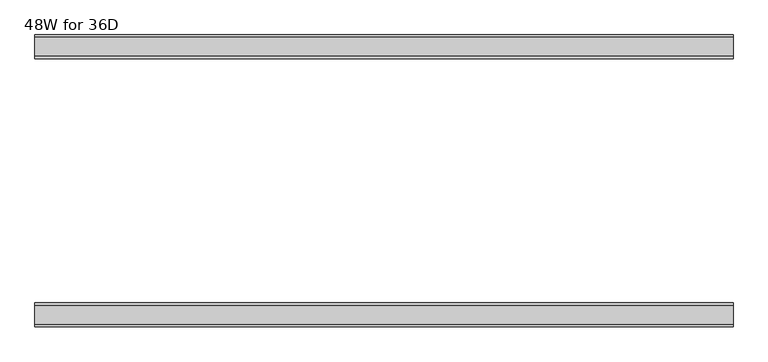
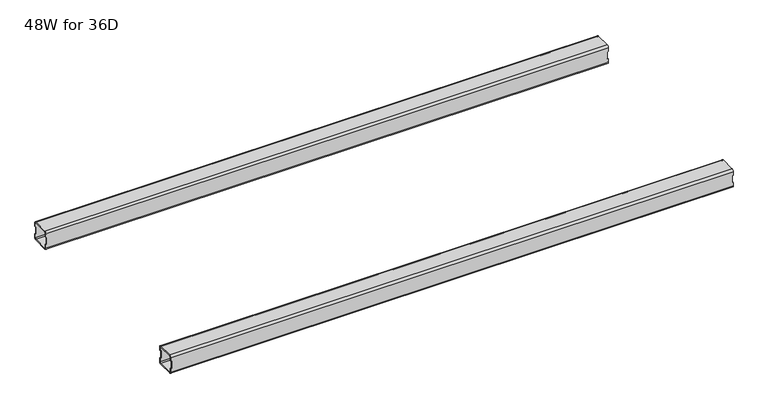
"""IFC4 building model written with IfcOpenShell, lengths in millimetres: furniture geometry, 48W for 36D."""

import ifcopenshell
import ifcopenshell.guid

model = None  # the IFC model being written
_history = None  # IfcOwnerHistory: only IFC2X3 demands one
_inside = {}  # id of a spatial element -> (the spatial element, [elements in it])
_under = {}  # id of a project, library or spatial element -> (it, [spatial elements below it])
_declared = {}  # id of a project -> (the project, [libraries it declares])
_typed = {}  # id of a type object -> (the type object, [elements of that type])
_made_of = {}  # id of a material, layer set ... -> (it, [elements and type objects made of it])


def new_model(schema):
    """Start an empty IFC model of exactly this schema.

    Asked for "IFC4X3", IfcOpenShell would pick the latest addendum, in which some entities
    have other attributes; the version numbers below select the first issue.
    IFC2X3 requires an IfcOwnerHistory on every rooted entity: one is made here for all.
    """
    global model, _history
    if schema == "IFC4X3":
        model = ifcopenshell.file(schema_version=(4, 3, 0, 0))
    else:
        model = ifcopenshell.file(schema=schema)
    _inside.clear()
    _under.clear()
    _declared.clear()
    _typed.clear()
    _made_of.clear()
    _history = None
    if model.schema == "IFC2X3":
        org = make("IfcOrganization", Name="unknown")
        user = make(
            "IfcPersonAndOrganization",
            ThePerson=make("IfcPerson", FamilyName="unknown"),
            TheOrganization=org,
        )
        app = make(
            "IfcApplication",
            ApplicationDeveloper=org,
            Version="unknown",
            ApplicationFullName="unknown",
            ApplicationIdentifier="unknown",
        )
        _history = make(
            "IfcOwnerHistory",
            OwningUser=user,
            OwningApplication=app,
            ChangeAction="ADDED",
            CreationDate=0,
        )
    return model


def make(cls, **values):
    """One entity of the class cls with the attributes given. An attribute that is None is left unset."""
    return model.create_entity(
        cls, **{name: value for name, value in values.items() if value is not None}
    )


def rooted(cls, **values):
    """An entity with a GlobalId (a new one), such as an element, a storey or a relation."""
    return make(cls, GlobalId=ifcopenshell.guid.new(), OwnerHistory=_history, **values)


def si_unit(unit_type, name, prefix=None):
    """IfcSIUnit, for example si_unit("LENGTHUNIT", "METRE", prefix="MILLI")."""
    return make("IfcSIUnit", UnitType=unit_type, Prefix=prefix, Name=name)


def assignment(units):
    """IfcUnitAssignment: the units of a project."""
    return None if units is None else make("IfcUnitAssignment", Units=units)


def point(xyz):
    """IfcCartesianPoint."""
    return None if xyz is None else make("IfcCartesianPoint", Coordinates=xyz)


def direction(xyz):
    """IfcDirection."""
    return None if xyz is None else make("IfcDirection", DirectionRatios=xyz)


def frame(location, z_axis=None, x_axis=None):
    """IfcAxis2Placement3D, a coordinate frame: its origin and axes. An axis left out is left unset."""
    return make(
        "IfcAxis2Placement3D",
        Location=point(location),
        Axis=direction(z_axis),
        RefDirection=direction(x_axis),
    )


def origin():
    """The frame at (0, 0, 0) with its axes left unset."""
    return frame((0.0, 0.0, 0.0))


def place(relative_to, where):
    """IfcLocalPlacement: puts the frame where relative to a parent placement (None: the world)."""
    return make(
        "IfcLocalPlacement", PlacementRelTo=relative_to, RelativePlacement=where
    )


def context(
    kind, dimensions, precision=None, world=None, true_north=None, identifier=None
):
    """IfcGeometricRepresentationContext, for example the 3D "Model" context."""
    return make(
        "IfcGeometricRepresentationContext",
        ContextIdentifier=identifier,
        ContextType=kind,
        CoordinateSpaceDimension=dimensions,
        Precision=precision,
        WorldCoordinateSystem=world,
        TrueNorth=true_north,
    )


def project(units=None, contexts=None):
    """IfcProject with its units and contexts."""
    return rooted(
        "IfcProject",
        Name="project",
        RepresentationContexts=contexts,
        UnitsInContext=assignment(units),
    )


def spatial(cls, under=None, at=None, **own):
    """A site, building, storey or space (cls), placed at a placement, below another one or the project."""
    s = rooted(cls, ObjectPlacement=at, **own)
    if under is not None:
        _under.setdefault(under.id(), (under, []))[1].append(s)
    return s


def polyline(points):
    """IfcPolyline through the points."""
    return make("IfcPolyline", Points=[point(p) for p in points])


def circle_curve(where, radius):
    """IfcCircle in the frame where."""
    return make("IfcCircle", Position=where, Radius=radius)


def shape(context_of_items, identifier, shape_type, items):
    """IfcShapeRepresentation: the items that make up one representation, for example the "Body"."""
    return make(
        "IfcShapeRepresentation",
        ContextOfItems=context_of_items,
        RepresentationIdentifier=identifier,
        RepresentationType=shape_type,
        Items=items,
    )


def source(mapping_origin, context_of_items, identifier, shape_type, items):
    """IfcRepresentationMap: a shape defined once, which mapped items show again and again."""
    return make(
        "IfcRepresentationMap",
        MappingOrigin=mapping_origin,
        MappedRepresentation=shape(context_of_items, identifier, shape_type, items),
    )


def transform(
    local_origin,
    x_axis=None,
    y_axis=None,
    z_axis=None,
    scale=None,
    scale2=None,
    scale3=None,
    uniform=True,
):
    """IfcCartesianTransformationOperator3D, or its non-uniform kind. x_axis, y_axis, z_axis: its Axis1, 2, 3."""
    if uniform:
        return make(
            "IfcCartesianTransformationOperator3D",
            Axis1=direction(x_axis),
            Axis2=direction(y_axis),
            LocalOrigin=point(local_origin),
            Scale=scale,
            Axis3=direction(z_axis),
        )
    return make(
        "IfcCartesianTransformationOperator3DnonUniform",
        Axis1=direction(x_axis),
        Axis2=direction(y_axis),
        LocalOrigin=point(local_origin),
        Scale=scale,
        Axis3=direction(z_axis),
        Scale2=scale2,
        Scale3=scale3,
    )


def mapped(mapping_source, mapping_target):
    """IfcMappedItem: shows the shape of a source again, moved by a transform."""
    return make(
        "IfcMappedItem", MappingSource=mapping_source, MappingTarget=mapping_target
    )


def made_of(thing, what):
    """Note that an element or type object is made of a material, layer set ...; save() writes the relation."""
    if what is not None:
        _made_of.setdefault(what.id(), (what, []))[1].append(thing)
    return thing


def element(
    cls,
    number,
    at=None,
    inside=None,
    cuts=None,
    type_object=None,
    material=None,
    context=None,
    identifier="Body",
    shape_type=None,
    held_by="IfcProductDefinitionShape",
    body=None,
    shapes=None,
    **own,
):
    """One element of the class cls, such as IfcWall. Its Tag is "e" and its number.

    at: its placement. inside: the storey or other place that contains it. cuts: it is an
    opening in that element (IfcRelVoidsElement). A single representation is given by context,
    identifier, shape_type and body (its items); several are given by shapes. held_by: the class
    of the entity that holds the representations. save() writes the other relations.
    """
    e = rooted(cls, Tag="e%d" % number, ObjectPlacement=at, **own)
    if body is not None:
        shapes = [shape(context, identifier, shape_type, body)]
    if shapes is not None:
        e.Representation = make(held_by, Representations=shapes)
    if inside is not None:
        _inside.setdefault(inside.id(), (inside, []))[1].append(e)
    if cuts is not None:
        rooted(
            "IfcRelVoidsElement", RelatingBuildingElement=cuts, RelatedOpeningElement=e
        )
    if type_object is not None:
        _typed.setdefault(type_object.id(), (type_object, []))[1].append(e)
    return made_of(e, material)


def aggregate(whole, parts):
    """IfcRelAggregates: a whole, such as a stair, and the parts it consists of."""
    return rooted("IfcRelAggregates", RelatingObject=whole, RelatedObjects=parts)


def save(model, path):
    """Write the relations noted so far, then the file.

    IfcRelAggregates (storeys below a building ...), IfcRelContainedInSpatialStructure (elements
    in a storey), IfcRelDefinesByType, IfcRelAssociatesMaterial and IfcRelDeclares: one each for
    every whole, place, type object, material and project.
    """
    for whole, parts in _under.values():
        aggregate(whole, parts)
    for where, things in _inside.values():
        rooted(
            "IfcRelContainedInSpatialStructure",
            RelatedElements=things,
            RelatingStructure=where,
        )
    for kind, things in _typed.values():
        rooted("IfcRelDefinesByType", RelatedObjects=things, RelatingType=kind)
    for what, things in _made_of.values():
        rooted("IfcRelAssociatesMaterial", RelatedObjects=things, RelatingMaterial=what)
    for by, libraries in _declared.values():
        rooted("IfcRelDeclares", RelatingContext=by, RelatedDefinitions=libraries)
    model.write(path)


def plane_surface(at):
    """IfcPlane: the flat surface through the origin of the frame at, square to its z axis."""
    return make("IfcPlane", Position=at)


def cylinder_surface(at, radius):
    """IfcCylindricalSurface: all points at the distance radius from the z axis of the frame at."""
    return make("IfcCylindricalSurface", Position=at, Radius=radius)


def revolved_surface(curve, axis_point, axis_direction):
    """IfcSurfaceOfRevolution: the curve turned about the line through axis_point along axis_direction."""
    return make(
        "IfcSurfaceOfRevolution",
        SweptCurve=make("IfcArbitraryOpenProfileDef", ProfileType="CURVE", Curve=curve),
        AxisPosition=make("IfcAxis1Placement", Location=point(axis_point), Axis=direction(axis_direction)),
    )


def advanced_brep(points, edges, surfaces, faces):
    """IfcAdvancedBrep: a solid bounded by faces that lie on surfaces and meet in shared edges.

    An edge is (start, end): straight between two places in points (the first is 0);
    or (start, end, curve); or (start, end, curve, False) where it runs against its curve.
    A face is (place in surfaces, loops), or (place, loops, False) where it looks against
    its surface's normal. A loop lists edges by number (the first is 1), with a minus sign
    where the edge is run from its end to its start. The first loop is the outer one.
    """
    corners = [point(p) for p in points]
    vertices = [make("IfcVertexPoint", VertexGeometry=c) for c in corners]
    made = []
    for start, end, *more in edges:
        made.append(
            make(
                "IfcEdgeCurve",
                EdgeStart=vertices[start],
                EdgeEnd=vertices[end],
                EdgeGeometry=more[0] if more else make("IfcPolyline", Points=[corners[start], corners[end]]),
                SameSense=more[1] if len(more) > 1 else True,
            )
        )
    hull = []
    for where, loops, *sense in faces:
        bounds = []
        for j, loop in enumerate(loops):
            ring = [make("IfcOrientedEdge", EdgeElement=made[abs(k) - 1], Orientation=k > 0) for k in loop]
            bounds.append(
                make(
                    "IfcFaceOuterBound" if j == 0 else "IfcFaceBound",
                    Bound=make("IfcEdgeLoop", EdgeList=ring),
                    Orientation=True,
                )
            )
        hull.append(make("IfcAdvancedFace", Bounds=bounds, FaceSurface=surfaces[where], SameSense=sense[0] if sense else True))
    return make("IfcAdvancedBrep", Outer=make("IfcClosedShell", CfsFaces=hull))


def furniture_48w_for_36d_c72a1b45(model_context):
    return source(origin(), model_context, "Body", "AdvancedBrep", [
        advanced_brep(
        [(1194.2028, -607.088, 282.892), (1194.2028, -609.088, 280.892), (1194.2028, -641.088, 280.892), (1194.2028, -643.088, 282.892), (1194.2028, -643.088, 290.392), (1194.2028, -645.088, 290.392), (1194.2028, -645.088, 282.892), (1194.2028, -641.088, 278.892), (1194.2028, -609.088, 278.892), (1194.2028, -605.088, 282.892), (1194.2028, -605.088, 290.392), (1194.2028, -607.088, 290.392), (1194.2028, -643.088, 314.516), (1194.2028, -641.088, 316.516), (1194.2028, -609.088, 316.516), (1194.2028, -607.088, 314.516), (1194.2028, -607.088, 307.016), (1194.2028, -605.088, 307.016), (1194.2028, -605.088, 314.516), (1194.2028, -609.088, 318.516), (1194.2028, -641.088, 318.516), (1194.2028, -645.088, 314.516), (1194.2028, -645.088, 307.016), (1194.2028, -643.088, 307.016), (22.0, -607.088, 314.516), (22.0, -609.088, 316.516), (22.0, -641.088, 316.516), (22.0, -643.088, 314.516), (22.0, -643.088, 307.016), (22.0, -645.088, 307.016), (22.0, -645.088, 314.516), (22.0, -641.088, 318.516), (22.0, -609.088, 318.516), (22.0, -605.088, 314.516), (22.0, -605.088, 307.016), (22.0, -607.088, 307.016), (22.0, -643.088, 282.892), (22.0, -641.088, 280.892), (22.0, -609.088, 280.892), (22.0, -607.088, 282.892), (22.0, -607.088, 290.392), (22.0, -605.088, 290.392), (22.0, -605.088, 282.892), (22.0, -609.088, 278.892), (22.0, -641.088, 278.892), (22.0, -645.088, 282.892), (22.0, -645.088, 290.392), (22.0, -643.088, 290.392), (23.365, -643.088, 290.392), (24.0, -643.088, 291.027), (24.0, -643.088, 306.381), (23.365, -643.088, 307.016), (1192.8378, -643.088, 307.016), (1192.2028, -643.088, 306.381), (1192.2028, -643.088, 291.027), (1192.8378, -643.088, 290.392), (1192.8378, -607.088, 290.392), (1192.2028, -607.088, 291.027), (1192.2028, -607.088, 306.381), (1192.8378, -607.088, 307.016), (23.365, -607.088, 307.016), (24.0, -607.088, 306.381), (24.0, -607.088, 291.027), (23.365, -607.088, 290.392), (23.365, -645.088, 307.016), (24.0, -645.088, 306.381), (24.0, -645.088, 291.027), (23.365, -645.088, 290.392), (1192.8378, -645.088, 290.392), (1192.2028, -645.088, 291.027), (1192.2028, -645.088, 306.381), (1192.8378, -645.088, 307.016), (1192.8378, -605.088, 307.016), (1192.2028, -605.088, 306.381), (1192.2028, -605.088, 291.027), (1192.8378, -605.088, 290.392), (23.365, -605.088, 290.392), (24.0, -605.088, 291.027), (24.0, -605.088, 306.381), (23.365, -605.088, 307.016)],
        [
            (0, 1, circle_curve(frame((1194.2028, -609.088, 282.892), z_axis=(-1.0, 0.0, 0.0), x_axis=(0.0, 1.0, 0.0)), 2.0)),
            (1, 2),
            (2, 3, circle_curve(frame((1194.2028, -641.088, 282.892), z_axis=(-1.0, 0.0, 0.0), x_axis=(0.0, 1.0, 0.0)), 2.0)),
            (3, 4),
            (4, 5),
            (5, 6),
            (6, 7, circle_curve(frame((1194.2028, -641.088, 282.892), z_axis=(1.0, 0.0, 0.0), x_axis=(0.0, 1.0, 0.0)), 4.0)),
            (7, 8),
            (8, 9, circle_curve(frame((1194.2028, -609.088, 282.892), z_axis=(1.0, 0.0, 0.0), x_axis=(0.0, 1.0, 0.0)), 4.0)),
            (9, 10),
            (10, 11),
            (11, 0),
            (12, 13, circle_curve(frame((1194.2028, -641.088, 314.516), z_axis=(-1.0, 0.0, 0.0), x_axis=(0.0, 1.0, 0.0)), 2.0)),
            (13, 14),
            (14, 15, circle_curve(frame((1194.2028, -609.088, 314.516), z_axis=(-1.0, 0.0, 0.0), x_axis=(0.0, 1.0, 0.0)), 2.0)),
            (15, 16),
            (16, 17),
            (17, 18),
            (18, 19, circle_curve(frame((1194.2028, -609.088, 314.516), z_axis=(1.0, 0.0, 0.0), x_axis=(0.0, 1.0, 0.0)), 4.0)),
            (19, 20),
            (20, 21, circle_curve(frame((1194.2028, -641.088, 314.516), z_axis=(1.0, 0.0, 0.0), x_axis=(0.0, 1.0, 0.0)), 4.0)),
            (21, 22),
            (22, 23),
            (23, 12),
            (24, 25, circle_curve(frame((22.0, -609.088, 314.516), z_axis=(1.0, 0.0, 0.0), x_axis=(0.0, 1.0, 0.0)), 2.0)),
            (25, 26),
            (26, 27, circle_curve(frame((22.0, -641.088, 314.516), z_axis=(1.0, 0.0, 0.0), x_axis=(0.0, 1.0, 0.0)), 2.0)),
            (27, 28),
            (28, 29),
            (29, 30),
            (30, 31, circle_curve(frame((22.0, -641.088, 314.516), z_axis=(-1.0, 0.0, 0.0), x_axis=(0.0, 1.0, 0.0)), 4.0)),
            (31, 32),
            (32, 33, circle_curve(frame((22.0, -609.088, 314.516), z_axis=(-1.0, 0.0, 0.0), x_axis=(0.0, 1.0, 0.0)), 4.0)),
            (33, 34),
            (34, 35),
            (35, 24),
            (36, 37, circle_curve(frame((22.0, -641.088, 282.892), z_axis=(1.0, 0.0, 0.0), x_axis=(0.0, 1.0, 0.0)), 2.0)),
            (37, 38),
            (38, 39, circle_curve(frame((22.0, -609.088, 282.892), z_axis=(1.0, 0.0, 0.0), x_axis=(0.0, 1.0, 0.0)), 2.0)),
            (39, 40),
            (40, 41),
            (41, 42),
            (42, 43, circle_curve(frame((22.0, -609.088, 282.892), z_axis=(-1.0, 0.0, 0.0), x_axis=(0.0, 1.0, 0.0)), 4.0)),
            (43, 44),
            (44, 45, circle_curve(frame((22.0, -641.088, 282.892), z_axis=(-1.0, 0.0, 0.0), x_axis=(0.0, 1.0, 0.0)), 4.0)),
            (45, 46),
            (46, 47),
            (47, 36),
            (0, 39),
            (38, 1),
            (37, 2),
            (36, 3),
            (47, 48),
            (48, 49, circle_curve(frame((23.365, -643.088, 291.027), z_axis=(0.0, -1.0, 0.0), x_axis=(1.0, 0.0, 0.0)), 0.635)),
            (49, 50),
            (50, 51, circle_curve(frame((23.365, -643.088, 306.381), z_axis=(0.0, -1.0, 0.0), x_axis=(1.0, 0.0, 0.0)), 0.635)),
            (51, 28),
            (27, 12),
            (23, 52),
            (52, 53, circle_curve(frame((1192.8378, -643.088, 306.381), z_axis=(0.0, -1.0, 0.0), x_axis=(1.0, 0.0, 0.0)), 0.635)),
            (53, 54),
            (54, 55, circle_curve(frame((1192.8378, -643.088, 291.027), z_axis=(0.0, -1.0, 0.0), x_axis=(1.0, 0.0, 0.0)), 0.635)),
            (55, 4),
            (26, 13),
            (25, 14),
            (24, 15),
            (11, 56),
            (56, 57, circle_curve(frame((1192.8378, -607.088, 291.027), z_axis=(0.0, 1.0, 0.0), x_axis=(1.0, 0.0, 0.0)), 0.635)),
            (57, 58),
            (58, 59, circle_curve(frame((1192.8378, -607.088, 306.381), z_axis=(0.0, 1.0, 0.0), x_axis=(1.0, 0.0, 0.0)), 0.635)),
            (59, 16),
            (35, 60),
            (60, 61, circle_curve(frame((23.365, -607.088, 306.381), z_axis=(0.0, 1.0, 0.0), x_axis=(1.0, 0.0, 0.0)), 0.635)),
            (61, 62),
            (62, 63, circle_curve(frame((23.365, -607.088, 291.027), z_axis=(0.0, 1.0, 0.0), x_axis=(1.0, 0.0, 0.0)), 0.635)),
            (63, 40),
            (18, 33),
            (32, 19),
            (31, 20),
            (30, 21),
            (29, 64),
            (64, 65, circle_curve(frame((23.365, -645.088, 306.381), z_axis=(0.0, 1.0, 0.0), x_axis=(1.0, 0.0, 0.0)), 0.635)),
            (65, 66),
            (66, 67, circle_curve(frame((23.365, -645.088, 291.027), z_axis=(0.0, 1.0, 0.0), x_axis=(1.0, 0.0, 0.0)), 0.635)),
            (67, 46),
            (45, 6),
            (5, 68),
            (68, 69, circle_curve(frame((1192.8378, -645.088, 291.027), z_axis=(0.0, 1.0, 0.0), x_axis=(1.0, 0.0, 0.0)), 0.635)),
            (69, 70),
            (70, 71, circle_curve(frame((1192.8378, -645.088, 306.381), z_axis=(0.0, 1.0, 0.0), x_axis=(1.0, 0.0, 0.0)), 0.635)),
            (71, 22),
            (44, 7),
            (43, 8),
            (42, 9),
            (17, 72),
            (72, 73, circle_curve(frame((1192.8378, -605.088, 306.381), z_axis=(0.0, -1.0, 0.0), x_axis=(1.0, 0.0, 0.0)), 0.635)),
            (73, 74),
            (74, 75, circle_curve(frame((1192.8378, -605.088, 291.027), z_axis=(0.0, -1.0, 0.0), x_axis=(1.0, 0.0, 0.0)), 0.635)),
            (75, 10),
            (41, 76),
            (76, 77, circle_curve(frame((23.365, -605.088, 291.027), z_axis=(0.0, -1.0, 0.0), x_axis=(1.0, 0.0, 0.0)), 0.635)),
            (77, 78),
            (78, 79, circle_curve(frame((23.365, -605.088, 306.381), z_axis=(0.0, -1.0, 0.0), x_axis=(1.0, 0.0, 0.0)), 0.635)),
            (79, 34),
            (71, 52),
            (59, 72),
            (70, 53),
            (58, 73),
            (69, 54),
            (57, 74),
            (68, 55),
            (56, 75),
            (51, 64),
            (79, 60),
            (67, 48),
            (63, 76),
            (66, 49),
            (62, 77),
            (65, 50),
            (61, 78),
        ],
        [
            plane_surface(frame((1194.2028, -607.088, 282.892), z_axis=(1.0, 0.0, 0.0), x_axis=(0.0, 0.0, -1.0))),
            plane_surface(frame((22.0, -607.088, 282.892), z_axis=(-1.0, 0.0, 0.0), x_axis=(0.0, 0.0, 1.0))),
            revolved_surface(polyline([(22.0, -607.088, 282.892), (1194.2028, -607.088, 282.892)]), (22.0, -609.088, 282.892), (-1.0, 0.0, 0.0)),
            plane_surface(frame((1194.2028, -609.088, 280.892), z_axis=(0.0, -5.5274868016310565e-12, 1.0), x_axis=(-1.0, 0.0, 0.0))),
            revolved_surface(polyline([(22.0, -639.088, 282.892), (1194.2028, -639.088, 282.892)]), (22.0, -641.088, 282.892), (-1.0, 0.0, 0.0)),
            plane_surface(frame((1194.2028, -643.088, 282.892), z_axis=(0.0, 1.0, 0.0), x_axis=(-1.0, 0.0, 0.0))),
            revolved_surface(polyline([(22.0, -639.088, 314.516), (1194.2028, -639.088, 314.516)]), (22.0, -641.088, 314.516), (-1.0, 0.0, 0.0)),
            plane_surface(frame((1194.2028, -641.088, 316.516), z_axis=(0.0, 0.0, -1.0), x_axis=(-1.0, 0.0, 0.0))),
            revolved_surface(polyline([(22.0, -607.088, 314.516), (1194.2028, -607.088, 314.516)]), (22.0, -609.088, 314.516), (-1.0, 0.0, 0.0)),
            plane_surface(frame((1194.2028, -607.088, 314.516), z_axis=(0.0, -1.0, 0.0), x_axis=(-1.0, 0.0, 0.0))),
            cylinder_surface(frame((0.0, -609.088, 314.516), z_axis=(1.0, 0.0, 0.0), x_axis=(0.0, 1.0, 0.0)), 4.0),
            plane_surface(frame((1194.2028, -609.088, 318.516), z_axis=(0.0, 0.0, 1.0), x_axis=(-1.0, 0.0, 0.0))),
            cylinder_surface(frame((0.0, -641.088, 314.516), z_axis=(1.0, 0.0, 0.0), x_axis=(0.0, 1.0, 0.0)), 4.0),
            plane_surface(frame((1194.2028, -645.088, 314.516), z_axis=(0.0, -1.0, 0.0), x_axis=(-1.0, 0.0, 0.0))),
            cylinder_surface(frame((0.0, -641.088, 282.892), z_axis=(1.0, 0.0, 0.0), x_axis=(0.0, 1.0, 0.0)), 4.0),
            plane_surface(frame((1194.2028, -641.088, 278.892), z_axis=(0.0, 0.0, -1.0), x_axis=(-1.0, 0.0, 0.0))),
            cylinder_surface(frame((0.0, -609.088, 282.892), z_axis=(1.0, 0.0, 0.0), x_axis=(0.0, 1.0, 0.0)), 4.0),
            plane_surface(frame((1194.2028, -605.088, 282.892), z_axis=(0.0, 1.0, -5.5857165591822745e-12), x_axis=(-1.0, 0.0, 0.0))),
            plane_surface(frame((1194.2028, -645.088, 307.016), z_axis=(1.1205493188004843e-11, 0.0, -1.0), x_axis=(0.0, 1.0, 0.0))),
            revolved_surface(polyline([(1193.4728, -645.088, 306.381), (1193.4728, -643.088, 306.381)]), (1192.8378, -605.088, 306.381), (0.0, -1.0, 0.0)),
            revolved_surface(polyline([(1193.4728, -607.088, 306.381), (1193.4728, -605.088, 306.381)]), (1192.8378, -605.088, 306.381), (0.0, -1.0, 0.0)),
            plane_surface(frame((1192.2028, -645.088, 306.381), z_axis=(1.0, 0.0, 0.0), x_axis=(0.0, 1.0, 0.0))),
            revolved_surface(polyline([(1193.4728, -645.088, 291.027), (1193.4728, -643.088, 291.027)]), (1192.8378, -605.088, 291.027), (0.0, -1.0, 0.0)),
            revolved_surface(polyline([(1193.4728, -607.088, 291.027), (1193.4728, -605.088, 291.027)]), (1192.8378, -605.088, 291.027), (0.0, -1.0, 0.0)),
            plane_surface(frame((1192.8378, -645.088, 290.392), z_axis=(0.0, 0.0, 1.0), x_axis=(0.0, 1.0, 0.0))),
            plane_surface(frame((23.365, -645.088, 307.016), z_axis=(0.0, 0.0, -1.0), x_axis=(0.0, 1.0, 0.0))),
            plane_surface(frame((22.0, -645.088, 290.392), z_axis=(-1.1478193243270675e-11, 0.0, 1.0), x_axis=(0.0, 1.0, 0.0))),
            revolved_surface(polyline([(24.0, -645.088, 291.027), (24.0, -643.088, 291.027)]), (23.365, -605.088, 291.027), (0.0, -1.0, 0.0)),
            revolved_surface(polyline([(24.0, -607.088, 291.027), (24.0, -605.088, 291.027)]), (23.365, -605.088, 291.027), (0.0, -1.0, 0.0)),
            plane_surface(frame((24.0, -645.088, 291.027), z_axis=(-1.0, 0.0, 0.0), x_axis=(0.0, 1.0, 0.0))),
            revolved_surface(polyline([(24.0, -645.088, 306.381), (24.0, -643.088, 306.381)]), (23.365, -605.088, 306.381), (0.0, -1.0, 0.0)),
            revolved_surface(polyline([(24.0, -607.088, 306.381), (24.0, -605.088, 306.381)]), (23.365, -605.088, 306.381), (0.0, -1.0, 0.0)),
        ],
        [
            (0, [[1, 2, 3, 4, 5, 6, 7, 8, 9, 10, 11, 12]]),
            (0, [[13, 14, 15, 16, 17, 18, 19, 20, 21, 22, 23, 24]]),
            (1, [[25, 26, 27, 28, 29, 30, 31, 32, 33, 34, 35, 36]]),
            (1, [[37, 38, 39, 40, 41, 42, 43, 44, 45, 46, 47, 48]]),
            (2, [[-1, 49, -39, 50]]),
            (3, [[-2, -50, -38, 51]]),
            (4, [[-3, -51, -37, 52]]),
            (5, [[-52, -48, 53, 54, 55, 56, 57, -28, 58, -24, 59, 60, 61, 62, 63, -4]]),
            (6, [[-13, -58, -27, 64]]),
            (7, [[-14, -64, -26, 65]]),
            (8, [[-15, -65, -25, 66]]),
            (9, [[-49, -12, 67, 68, 69, 70, 71, -16, -66, -36, 72, 73, 74, 75, 76, -40]]),
            (10, [[-19, 77, -33, 78]]),
            (11, [[-20, -78, -32, 79]]),
            (12, [[-21, -79, -31, 80]]),
            (13, [[-80, -30, 81, 82, 83, 84, 85, -46, 86, -6, 87, 88, 89, 90, 91, -22]]),
            (14, [[-7, -86, -45, 92]]),
            (15, [[-8, -92, -44, 93]]),
            (16, [[-9, -93, -43, 94]]),
            (17, [[-77, -18, 95, 96, 97, 98, 99, -10, -94, -42, 100, 101, 102, 103, 104, -34]]),
            (18, [[105, -59, -23, -91]]),
            (18, [[106, -95, -17, -71]]),
            (19, [[-105, -90, 107, -60]]),
            (20, [[-106, -70, 108, -96]]),
            (21, [[-107, -89, 109, -61]]),
            (21, [[-108, -69, 110, -97]]),
            (22, [[-109, -88, 111, -62]]),
            (23, [[-110, -68, 112, -98]]),
            (24, [[-111, -87, -5, -63]]),
            (24, [[-112, -67, -11, -99]]),
            (25, [[113, -81, -29, -57]]),
            (25, [[114, -72, -35, -104]]),
            (26, [[115, -53, -47, -85]]),
            (26, [[116, -100, -41, -76]]),
            (27, [[-115, -84, 117, -54]]),
            (28, [[-116, -75, 118, -101]]),
            (29, [[-117, -83, 119, -55]]),
            (29, [[-118, -74, 120, -102]]),
            (30, [[-113, -56, -119, -82]]),
            (31, [[-114, -103, -120, -73]]),
        ],
    ),
        advanced_brep(
        [(1194.2028, -192.9996202, 314.516), (1194.2028, -190.9996202, 316.516), (1194.2028, -159.0003798, 316.516), (1194.2028, -157.0003798, 314.516), (1194.2028, -157.0003798, 307.016), (1194.2028, -155.0003798, 307.016), (1194.2028, -155.0003798, 314.516), (1194.2028, -159.0003798, 318.516), (1194.2028, -190.9996202, 318.516), (1194.2028, -194.9996202, 314.516), (1194.2028, -194.9996202, 307.016), (1194.2028, -192.9996202, 307.016), (1194.2028, -157.0003798, 282.892), (1194.2028, -159.0003798, 280.892), (1194.2028, -190.9996202, 280.892), (1194.2028, -192.9996202, 282.892), (1194.2028, -192.9996202, 290.392), (1194.2028, -194.9996202, 290.392), (1194.2028, -194.9996202, 282.892), (1194.2028, -190.9996202, 278.892), (1194.2028, -159.0003798, 278.892), (1194.2028, -155.0003798, 282.892), (1194.2028, -155.0003798, 290.392), (1194.2028, -157.0003798, 290.392), (22.0, -192.9996202, 282.892), (22.0, -190.9996202, 280.892), (22.0, -159.0003798, 280.892), (22.0, -157.0003798, 282.892), (22.0, -157.0003798, 290.392), (22.0, -155.0003798, 290.392), (22.0, -155.0003798, 282.892), (22.0, -159.0003798, 278.892), (22.0, -190.9996202, 278.892), (22.0, -194.9996202, 282.892), (22.0, -194.9996202, 290.392), (22.0, -192.9996202, 290.392), (22.0, -157.0003798, 314.516), (22.0, -159.0003798, 316.516), (22.0, -190.9996202, 316.516), (22.0, -192.9996202, 314.516), (22.0, -192.9996202, 307.016), (22.0, -194.9996202, 307.016), (22.0, -194.9996202, 314.516), (22.0, -190.9996202, 318.516), (22.0, -159.0003798, 318.516), (22.0, -155.0003798, 314.516), (22.0, -155.0003798, 307.016), (22.0, -157.0003798, 307.016), (1192.8378, -157.0003798, 290.392), (1192.2028, -157.0003798, 291.027), (1192.2028, -157.0003798, 306.381), (1192.8378, -157.0003798, 307.016), (23.365, -157.0003798, 307.016), (24.0, -157.0003798, 306.381), (24.0, -157.0003798, 291.027), (23.365, -157.0003798, 290.392), (23.365, -192.9996202, 290.392), (24.0, -192.9996202, 291.027), (24.0, -192.9996202, 306.381), (23.365, -192.9996202, 307.016), (1192.8378, -192.9996202, 307.016), (1192.2028, -192.9996202, 306.381), (1192.2028, -192.9996202, 291.027), (1192.8378, -192.9996202, 290.392), (1192.8378, -155.0003798, 307.016), (1192.2028, -155.0003798, 306.381), (1192.2028, -155.0003798, 291.027), (1192.8378, -155.0003798, 290.392), (23.365, -155.0003798, 290.392), (24.0, -155.0003798, 291.027), (24.0, -155.0003798, 306.381), (23.365, -155.0003798, 307.016), (23.365, -194.9996202, 307.016), (24.0, -194.9996202, 306.381), (24.0, -194.9996202, 291.027), (23.365, -194.9996202, 290.392), (1192.8378, -194.9996202, 290.392), (1192.2028, -194.9996202, 291.027), (1192.2028, -194.9996202, 306.381), (1192.8378, -194.9996202, 307.016)],
        [
            (0, 1, circle_curve(frame((1194.2028, -190.9996202, 314.516), z_axis=(-1.0, 0.0, 0.0), x_axis=(0.0, -1.0, 0.0)), 2.0)),
            (1, 2),
            (2, 3, circle_curve(frame((1194.2028, -159.0003798, 314.516), z_axis=(-1.0, 0.0, 0.0), x_axis=(0.0, -1.0, 0.0)), 2.0)),
            (3, 4),
            (4, 5),
            (5, 6),
            (6, 7, circle_curve(frame((1194.2028, -159.0003798, 314.516), z_axis=(1.0, 0.0, 0.0), x_axis=(0.0, -1.0, 0.0)), 4.0)),
            (7, 8),
            (8, 9, circle_curve(frame((1194.2028, -190.9996202, 314.516), z_axis=(1.0, 0.0, 0.0), x_axis=(0.0, -1.0, 0.0)), 4.0)),
            (9, 10),
            (10, 11),
            (11, 0),
            (12, 13, circle_curve(frame((1194.2028, -159.0003798, 282.892), z_axis=(-1.0, 0.0, 0.0), x_axis=(0.0, -1.0, 0.0)), 2.0)),
            (13, 14),
            (14, 15, circle_curve(frame((1194.2028, -190.9996202, 282.892), z_axis=(-1.0, 0.0, 0.0), x_axis=(0.0, -1.0, 0.0)), 2.0)),
            (15, 16),
            (16, 17),
            (17, 18),
            (18, 19, circle_curve(frame((1194.2028, -190.9996202, 282.892), z_axis=(1.0, 0.0, 0.0), x_axis=(0.0, -1.0, 0.0)), 4.0)),
            (19, 20),
            (20, 21, circle_curve(frame((1194.2028, -159.0003798, 282.892), z_axis=(1.0, 0.0, 0.0), x_axis=(0.0, -1.0, 0.0)), 4.0)),
            (21, 22),
            (22, 23),
            (23, 12),
            (24, 25, circle_curve(frame((22.0, -190.9996202, 282.892), z_axis=(1.0, 0.0, 0.0), x_axis=(0.0, -1.0, 0.0)), 2.0)),
            (25, 26),
            (26, 27, circle_curve(frame((22.0, -159.0003798, 282.892), z_axis=(1.0, 0.0, 0.0), x_axis=(0.0, -1.0, 0.0)), 2.0)),
            (27, 28),
            (28, 29),
            (29, 30),
            (30, 31, circle_curve(frame((22.0, -159.0003798, 282.892), z_axis=(-1.0, 0.0, 0.0), x_axis=(0.0, -1.0, 0.0)), 4.0)),
            (31, 32),
            (32, 33, circle_curve(frame((22.0, -190.9996202, 282.892), z_axis=(-1.0, 0.0, 0.0), x_axis=(0.0, -1.0, 0.0)), 4.0)),
            (33, 34),
            (34, 35),
            (35, 24),
            (36, 37, circle_curve(frame((22.0, -159.0003798, 314.516), z_axis=(1.0, 0.0, 0.0), x_axis=(0.0, -1.0, 0.0)), 2.0)),
            (37, 38),
            (38, 39, circle_curve(frame((22.0, -190.9996202, 314.516), z_axis=(1.0, 0.0, 0.0), x_axis=(0.0, -1.0, 0.0)), 2.0)),
            (39, 40),
            (40, 41),
            (41, 42),
            (42, 43, circle_curve(frame((22.0, -190.9996202, 314.516), z_axis=(-1.0, 0.0, 0.0), x_axis=(0.0, -1.0, 0.0)), 4.0)),
            (43, 44),
            (44, 45, circle_curve(frame((22.0, -159.0003798, 314.516), z_axis=(-1.0, 0.0, 0.0), x_axis=(0.0, -1.0, 0.0)), 4.0)),
            (45, 46),
            (46, 47),
            (47, 36),
            (14, 25),
            (24, 15),
            (13, 26),
            (12, 27),
            (23, 48),
            (48, 49, circle_curve(frame((1192.8378, -157.0003798, 291.027), z_axis=(0.0, 1.0, 0.0), x_axis=(1.0, 0.0, 0.0)), 0.635)),
            (49, 50),
            (50, 51, circle_curve(frame((1192.8378, -157.0003798, 306.381), z_axis=(0.0, 1.0, 0.0), x_axis=(1.0, 0.0, 0.0)), 0.635)),
            (51, 4),
            (3, 36),
            (47, 52),
            (52, 53, circle_curve(frame((23.365, -157.0003798, 306.381), z_axis=(0.0, 1.0, 0.0), x_axis=(1.0, 0.0, 0.0)), 0.635)),
            (53, 54),
            (54, 55, circle_curve(frame((23.365, -157.0003798, 291.027), z_axis=(0.0, 1.0, 0.0), x_axis=(1.0, 0.0, 0.0)), 0.635)),
            (55, 28),
            (2, 37),
            (1, 38),
            (0, 39),
            (35, 56),
            (56, 57, circle_curve(frame((23.365, -192.9996202, 291.027), z_axis=(0.0, -1.0, 0.0), x_axis=(1.0, 0.0, 0.0)), 0.635)),
            (57, 58),
            (58, 59, circle_curve(frame((23.365, -192.9996202, 306.381), z_axis=(0.0, -1.0, 0.0), x_axis=(1.0, 0.0, 0.0)), 0.635)),
            (59, 40),
            (11, 60),
            (60, 61, circle_curve(frame((1192.8378, -192.9996202, 306.381), z_axis=(0.0, -1.0, 0.0), x_axis=(1.0, 0.0, 0.0)), 0.635)),
            (61, 62),
            (62, 63, circle_curve(frame((1192.8378, -192.9996202, 291.027), z_axis=(0.0, -1.0, 0.0), x_axis=(1.0, 0.0, 0.0)), 0.635)),
            (63, 16),
            (8, 43),
            (42, 9),
            (7, 44),
            (6, 45),
            (5, 64),
            (64, 65, circle_curve(frame((1192.8378, -155.0003798, 306.381), z_axis=(0.0, -1.0, 0.0), x_axis=(1.0, 0.0, 0.0)), 0.635)),
            (65, 66),
            (66, 67, circle_curve(frame((1192.8378, -155.0003798, 291.027), z_axis=(0.0, -1.0, 0.0), x_axis=(1.0, 0.0, 0.0)), 0.635)),
            (67, 22),
            (21, 30),
            (29, 68),
            (68, 69, circle_curve(frame((23.365, -155.0003798, 291.027), z_axis=(0.0, -1.0, 0.0), x_axis=(1.0, 0.0, 0.0)), 0.635)),
            (69, 70),
            (70, 71, circle_curve(frame((23.365, -155.0003798, 306.381), z_axis=(0.0, -1.0, 0.0), x_axis=(1.0, 0.0, 0.0)), 0.635)),
            (71, 46),
            (20, 31),
            (19, 32),
            (18, 33),
            (41, 72),
            (72, 73, circle_curve(frame((23.365, -194.9996202, 306.381), z_axis=(0.0, 1.0, 0.0), x_axis=(1.0, 0.0, 0.0)), 0.635)),
            (73, 74),
            (74, 75, circle_curve(frame((23.365, -194.9996202, 291.027), z_axis=(0.0, 1.0, 0.0), x_axis=(1.0, 0.0, 0.0)), 0.635)),
            (75, 34),
            (17, 76),
            (76, 77, circle_curve(frame((1192.8378, -194.9996202, 291.027), z_axis=(0.0, 1.0, 0.0), x_axis=(1.0, 0.0, 0.0)), 0.635)),
            (77, 78),
            (78, 79, circle_curve(frame((1192.8378, -194.9996202, 306.381), z_axis=(0.0, 1.0, 0.0), x_axis=(1.0, 0.0, 0.0)), 0.635)),
            (79, 10),
            (51, 64),
            (79, 60),
            (50, 65),
            (78, 61),
            (49, 66),
            (77, 62),
            (48, 67),
            (76, 63),
            (71, 52),
            (59, 72),
            (55, 68),
            (75, 56),
            (54, 69),
            (74, 57),
            (53, 70),
            (73, 58),
        ],
        [
            plane_surface(frame((1194.2028, -192.9996202, 314.516), z_axis=(1.0, 0.0, 0.0), x_axis=(0.0, 0.0, 1.0))),
            plane_surface(frame((22.0, -192.9996202, 314.516), z_axis=(-1.0, 0.0, 0.0), x_axis=(0.0, 0.0, -1.0))),
            revolved_surface(polyline([(22.0, -192.9996202, 282.892), (1194.2028, -192.9996202, 282.892)]), (22.0, -190.9996202, 282.892), (-1.0, 0.0, 0.0)),
            plane_surface(frame((1194.2028, -159.0003798, 280.892), z_axis=(0.0, -1.0162695479229012e-12, 1.0), x_axis=(-1.0, 0.0, 0.0))),
            revolved_surface(polyline([(22.0, -161.0003798, 282.892), (1194.2028, -161.0003798, 282.892)]), (22.0, -159.0003798, 282.892), (-1.0, 0.0, 0.0)),
            plane_surface(frame((1194.2028, -157.0003798, 314.516), z_axis=(0.0, -1.0, 0.0), x_axis=(-1.0, 0.0, 0.0))),
            revolved_surface(polyline([(22.0, -161.0003798, 314.516), (1194.2028, -161.0003798, 314.516)]), (22.0, -159.0003798, 314.516), (-1.0, 0.0, 0.0)),
            plane_surface(frame((1194.2028, -190.9996202, 316.516), z_axis=(0.0, 0.0, -1.0), x_axis=(-1.0, 0.0, 0.0))),
            revolved_surface(polyline([(22.0, -192.9996202, 314.516), (1194.2028, -192.9996202, 314.516)]), (22.0, -190.9996202, 314.516), (-1.0, 0.0, 0.0)),
            plane_surface(frame((1194.2028, -192.9996202, 282.892), z_axis=(0.0, 1.0, 0.0), x_axis=(-1.0, 0.0, 0.0))),
            cylinder_surface(frame((0.0, -190.9996202, 314.516), z_axis=(1.0, 0.0, 0.0), x_axis=(0.0, -1.0, 0.0)), 4.0),
            plane_surface(frame((1194.2028, -159.0003798, 318.516), z_axis=(0.0, 0.0, 1.0), x_axis=(-1.0, 0.0, 0.0))),
            cylinder_surface(frame((0.0, -159.0003798, 314.516), z_axis=(1.0, 0.0, 0.0), x_axis=(0.0, -1.0, 0.0)), 4.0),
            plane_surface(frame((1194.2028, -155.0003798, 282.892), z_axis=(0.0, 1.0, 0.0), x_axis=(-1.0, 0.0, 0.0))),
            cylinder_surface(frame((0.0, -159.0003798, 282.892), z_axis=(1.0, 0.0, 0.0), x_axis=(0.0, -1.0, 0.0)), 4.0),
            plane_surface(frame((1194.2028, -190.9996202, 278.892), z_axis=(0.0, 0.0, -1.0), x_axis=(-1.0, 0.0, 0.0))),
            cylinder_surface(frame((0.0, -190.9996202, 282.892), z_axis=(1.0, 0.0, 0.0), x_axis=(0.0, -1.0, 0.0)), 4.0),
            plane_surface(frame((1194.2028, -194.9996202, 314.516), z_axis=(0.0, -1.0, 1.0326085209912811e-12), x_axis=(-1.0, 0.0, 0.0))),
            plane_surface(frame((1192.8378, -155.0003798, 307.016), z_axis=(-8.800774516256723e-11, 0.0, -1.0), x_axis=(0.0, -1.0, 0.0))),
            revolved_surface(polyline([(1193.4728, -155.0003798, 306.381), (1193.4728, -157.0003798, 306.381)]), (1192.8378, -194.9996202, 306.381), (0.0, 1.0, 0.0)),
            revolved_surface(polyline([(1193.4728, -192.9996202, 306.381), (1193.4728, -194.9996202, 306.381)]), (1192.8378, -194.9996202, 306.381), (0.0, 1.0, 0.0)),
            plane_surface(frame((1192.2028, -155.0003798, 291.027), z_axis=(1.0, 0.0, 7.599253170607055e-12), x_axis=(0.0, -1.0, 0.0))),
            revolved_surface(polyline([(1193.4728, -155.0003798, 291.027), (1193.4728, -157.0003798, 291.027)]), (1192.8378, -194.9996202, 291.027), (0.0, 1.0, 0.0)),
            revolved_surface(polyline([(1193.4728, -192.9996202, 291.027), (1193.4728, -194.9996202, 291.027)]), (1192.8378, -194.9996202, 291.027), (0.0, 1.0, 0.0)),
            plane_surface(frame((1194.2028, -155.0003798, 290.392), z_axis=(0.0, 0.0, 1.0), x_axis=(0.0, -1.0, 0.0))),
            plane_surface(frame((22.0, -155.0003798, 307.016), z_axis=(0.0, 0.0, -1.0), x_axis=(0.0, -1.0, 0.0))),
            plane_surface(frame((23.365, -155.0003798, 290.392), z_axis=(-5.223445608124315e-11, 0.0, 1.0), x_axis=(0.0, -1.0, 0.0))),
            revolved_surface(polyline([(24.0, -155.0003798, 291.027), (24.0, -157.0003798, 291.027)]), (23.365, -194.9996202, 291.027), (0.0, 1.0, 0.0)),
            revolved_surface(polyline([(24.0, -192.9996202, 291.027), (24.0, -194.9996202, 291.027)]), (23.365, -194.9996202, 291.027), (0.0, 1.0, 0.0)),
            plane_surface(frame((24.0, -155.0003798, 306.381), z_axis=(-1.0, 0.0, 3.5271620629124926e-12), x_axis=(0.0, -1.0, 0.0))),
            revolved_surface(polyline([(24.0, -155.0003798, 306.381), (24.0, -157.0003798, 306.381)]), (23.365, -194.9996202, 306.381), (0.0, 1.0, 0.0)),
            revolved_surface(polyline([(24.0, -192.9996202, 306.381), (24.0, -194.9996202, 306.381)]), (23.365, -194.9996202, 306.381), (0.0, 1.0, 0.0)),
        ],
        [
            (0, [[1, 2, 3, 4, 5, 6, 7, 8, 9, 10, 11, 12]]),
            (0, [[13, 14, 15, 16, 17, 18, 19, 20, 21, 22, 23, 24]]),
            (1, [[25, 26, 27, 28, 29, 30, 31, 32, 33, 34, 35, 36]]),
            (1, [[37, 38, 39, 40, 41, 42, 43, 44, 45, 46, 47, 48]]),
            (2, [[-15, 49, -25, 50]]),
            (3, [[-14, 51, -26, -49]]),
            (4, [[-13, 52, -27, -51]]),
            (5, [[-52, -24, 53, 54, 55, 56, 57, -4, 58, -48, 59, 60, 61, 62, 63, -28]]),
            (6, [[-3, 64, -37, -58]]),
            (7, [[-2, 65, -38, -64]]),
            (8, [[-1, 66, -39, -65]]),
            (9, [[-50, -36, 67, 68, 69, 70, 71, -40, -66, -12, 72, 73, 74, 75, 76, -16]]),
            (10, [[-9, 77, -43, 78]]),
            (11, [[-8, 79, -44, -77]]),
            (12, [[-7, 80, -45, -79]]),
            (13, [[-80, -6, 81, 82, 83, 84, 85, -22, 86, -30, 87, 88, 89, 90, 91, -46]]),
            (14, [[-21, 92, -31, -86]]),
            (15, [[-20, 93, -32, -92]]),
            (16, [[-19, 94, -33, -93]]),
            (17, [[-78, -42, 95, 96, 97, 98, 99, -34, -94, -18, 100, 101, 102, 103, 104, -10]]),
            (18, [[105, -81, -5, -57]]),
            (18, [[106, -72, -11, -104]]),
            (19, [[-105, -56, 107, -82]]),
            (20, [[-106, -103, 108, -73]]),
            (21, [[-107, -55, 109, -83]]),
            (21, [[-108, -102, 110, -74]]),
            (22, [[-109, -54, 111, -84]]),
            (23, [[-110, -101, 112, -75]]),
            (24, [[-111, -53, -23, -85]]),
            (24, [[-112, -100, -17, -76]]),
            (25, [[113, -59, -47, -91]]),
            (25, [[114, -95, -41, -71]]),
            (26, [[115, -87, -29, -63]]),
            (26, [[116, -67, -35, -99]]),
            (27, [[-115, -62, 117, -88]]),
            (28, [[-116, -98, 118, -68]]),
            (29, [[-117, -61, 119, -89]]),
            (29, [[-118, -97, 120, -69]]),
            (30, [[-119, -60, -113, -90]]),
            (31, [[-120, -96, -114, -70]]),
        ],
    ),
    ])


if __name__ == "__main__":
    model = new_model("IFC4")
    model_context = context("Model", 3, world=origin())
    ifc_project = project(units=[si_unit("LENGTHUNIT", "METRE", prefix="MILLI")], contexts=[model_context])
    site = spatial("IfcSite", under=ifc_project)
    building = spatial("IfcBuilding", under=site)
    placement = place(None, origin())
    furniture_48w_for_36d_shape = furniture_48w_for_36d_c72a1b45(model_context)
    element("IfcFurniture", 1, ObjectType="48W for 36D", at=placement, inside=building, context=model_context, shape_type="MappedRepresentation", body=[
        mapped(furniture_48w_for_36d_shape, transform((0.0, 0.0, 0.0), x_axis=(1.0, 0.0, 0.0), y_axis=(0.0, 1.0, 0.0), z_axis=(0.0, 0.0, 1.0))),
    ])
    save(model, "model.ifc")
